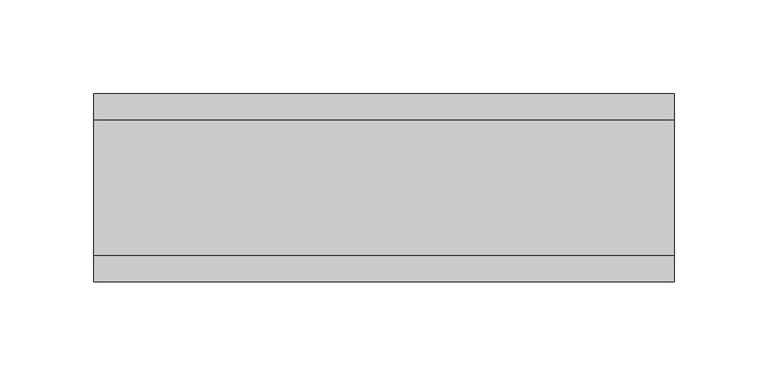
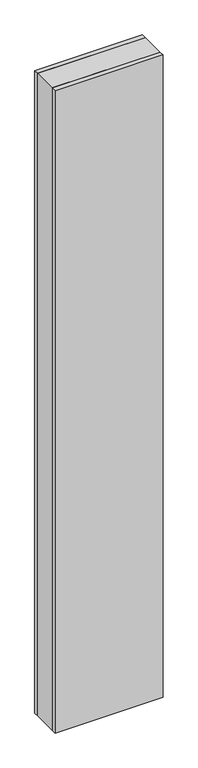
"""IFC4 building model written with IfcOpenShell, lengths in millimetres: plate geometry."""

from ifc_helpers import new_model, si_unit, origin, origin_with_axes, place, context, project, spatial, polyline, outline, extrude, source, transform, mapped, element, save


def plate_c9c19d32(model_context):
    return source(origin(), model_context, "Body", "SweptSolid", [
        extrude(outline(polyline([(154.6056907, 36.0), (154.6056907, -36.0), (-154.6056907, -36.0), (-154.6056907, 36.0), (154.6056907, 36.0)])), origin_with_axes(), (0.0, 0.0, 1.0), 1943.6971514),
        extrude(outline(polyline([(154.6056907, 50.0), (154.6056907, 36.0), (-154.6056907, 36.0), (-154.6056907, 50.0), (154.6056907, 50.0)])), origin_with_axes(), (0.0, 0.0, 1.0), 1943.6971514),
        extrude(outline(polyline([(154.6056907, -36.0), (154.6056907, -50.0), (-154.6056907, -50.0), (-154.6056907, -36.0), (154.6056907, -36.0)])), origin_with_axes(), (0.0, 0.0, 1.0), 1943.6971514),
    ])


if __name__ == "__main__":
    model = new_model("IFC4")
    model_context = context("Model", 3, world=origin())
    ifc_project = project(units=[si_unit("LENGTHUNIT", "METRE", prefix="MILLI")], contexts=[model_context])
    site = spatial("IfcSite", under=ifc_project)
    building = spatial("IfcBuilding", under=site)
    placement = place(None, origin())
    plate_shape = plate_c9c19d32(model_context)
    element("IfcPlate", 1, at=placement, inside=building, context=model_context, shape_type="MappedRepresentation", body=[
        mapped(plate_shape, transform((0.0, 0.0, 0.0), x_axis=(1.0, 0.0, 0.0), y_axis=(0.0, 1.0, 0.0), z_axis=(0.0, 0.0, 1.0))),
    ])
    save(model, "model.ifc")
